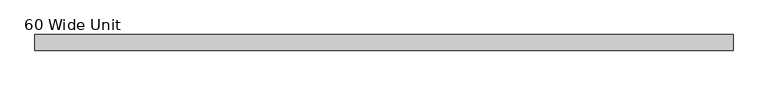
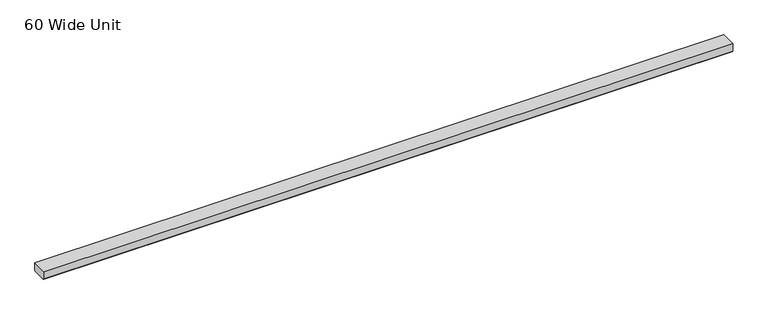
"""IFC4 building model written with IfcOpenShell, lengths in millimetres: furniture geometry, 60 Wide Unit."""

from ifc_helpers import new_model, si_unit, origin, place, context, project, spatial, faceted_brep, source, transform, mapped, element, save


def furniture_60_wide_unit_b18db321(model_context):
    return source(origin(), model_context, "Body", "Brep", [
        faceted_brep([(1520.698, -199.1365428, 346.0749998), (1520.698, -199.1365428, 328.9554067), (1520.698, -198.6157759, 327.698164), (1520.698, -197.3585412, 327.1774003), (1520.698, -166.8785388, 327.1774003), (1520.698, -165.6213041, 327.698164), (1520.698, -165.100539, 328.9554023), (1520.698, -165.100539, 346.0749998), (3.302, -199.1365428, 346.0749998), (3.302, -165.100539, 346.0749998), (3.302, -165.100539, 328.9554023), (3.302, -165.6213041, 327.698164), (3.302, -166.8785388, 327.1774003), (3.302, -197.3585412, 327.1774003), (3.302, -198.6157759, 327.698164), (3.302, -199.1365428, 328.9554067), (228.6508, -189.1035433, 327.1774003), (631.7500349, -189.1035433, 327.1774003), (631.7500349, -175.1335385, 327.1774003), (228.6508, -175.1335385, 327.1774003), (892.2499651, -189.1035433, 327.1774003), (1295.3492, -189.1035433, 327.1774003), (1295.3492, -175.1335385, 327.1774003), (892.2499651, -175.1335385, 327.1774003), (228.6508, -189.1035433, 329.9531597), (228.6508, -175.1335385, 329.9531597), (631.7500349, -175.1335385, 329.9531597), (631.7500349, -189.1035433, 329.9531597), (1295.3492, -189.1035433, 329.9531597), (892.2499651, -189.1035433, 329.9531597), (892.2499651, -175.1335385, 329.9531597), (1295.3492, -175.1335385, 329.9531597)], [[[0, 1, 2, 3, 4, 5, 6, 7]], [[8, 9, 10, 11, 12, 13, 14, 15]], [[1, 0, 8, 15]], [[2, 1, 15, 14]], [[3, 2, 14, 13]], [[4, 3, 13, 12], [16, 17, 18, 19], [20, 21, 22, 23]], [[5, 4, 12, 11]], [[6, 5, 11, 10]], [[7, 6, 10, 9]], [[0, 7, 9, 8]], [[24, 25, 26, 27]], [[24, 27, 17, 16]], [[27, 26, 18, 17]], [[26, 25, 19, 18]], [[25, 24, 16, 19]], [[28, 29, 30, 31]], [[29, 28, 21, 20]], [[30, 29, 20, 23]], [[31, 30, 23, 22]], [[28, 31, 22, 21]]]),
    ])


if __name__ == "__main__":
    model = new_model("IFC4")
    model_context = context("Model", 3, world=origin())
    ifc_project = project(units=[si_unit("LENGTHUNIT", "METRE", prefix="MILLI")], contexts=[model_context])
    site = spatial("IfcSite", under=ifc_project)
    building = spatial("IfcBuilding", under=site)
    placement = place(None, origin())
    furniture_60_wide_unit_shape = furniture_60_wide_unit_b18db321(model_context)
    element("IfcFurniture", 1, ObjectType="60 Wide Unit", at=placement, inside=building, context=model_context, shape_type="MappedRepresentation", body=[
        mapped(furniture_60_wide_unit_shape, transform((0.0, 0.0, 0.0), x_axis=(1.0, 0.0, 0.0), y_axis=(0.0, 1.0, 0.0), z_axis=(0.0, 0.0, 1.0))),
    ])
    save(model, "model.ifc")
